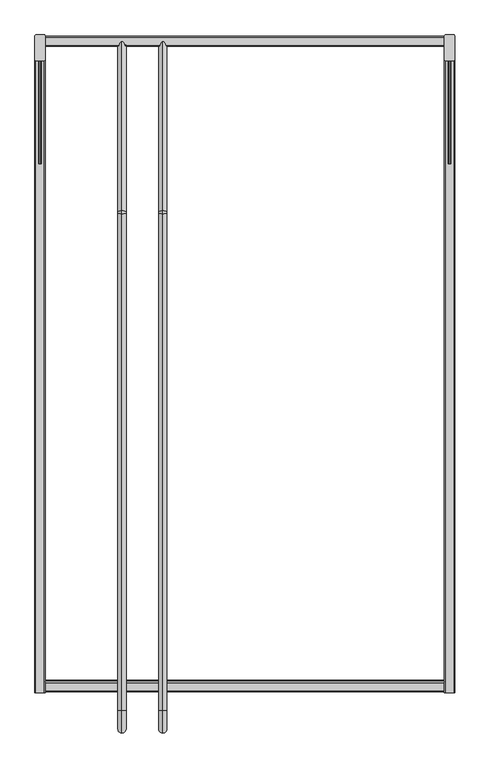
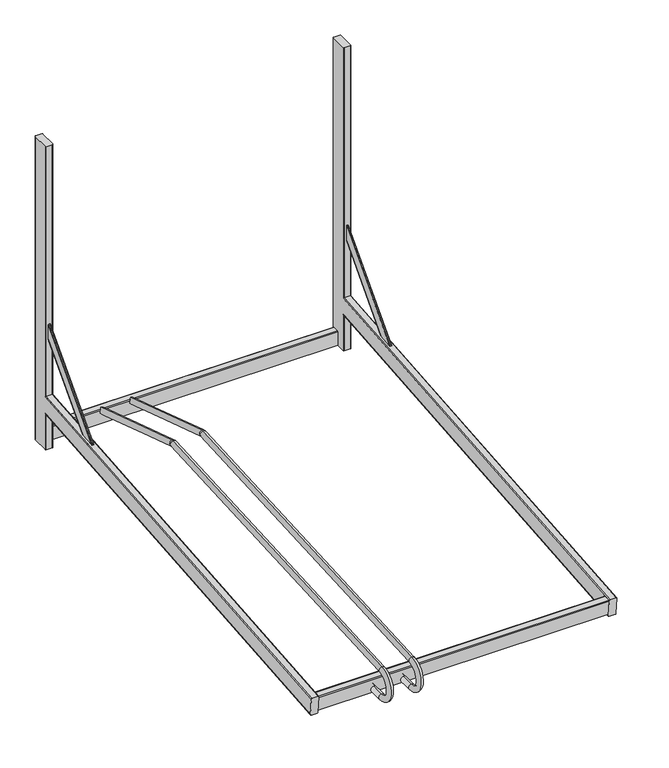
"""IFC4 building model written with IfcOpenShell, lengths in millimetres: proxy geometry."""

from ifc_helpers import new_model, si_unit, point, frame, frame_2d, origin, place, context, project, spatial, polyline, circle_curve, ellipse_curve, trimmed, segment, composite_curve, outline, extrude, source, transform, mapped, element, save
from ifc_brep_helpers import plane_surface, cylinder_surface, revolved_surface, advanced_brep


def parking_b0b00ea9(model_context):
    return source(origin(), model_context, "Body", "SolidModel", [
        advanced_brep(
        [(-440.0, 575.1849932, 39.3147549), (-440.0, 570.2232092, 24.0439537), (-440.0, 244.335793, 146.8141765), (-440.0, 239.3740089, 131.5433753), (-440.0, 238.1994719, 131.6969984), (-440.0, 237.3320857, 147.7302237), (-440.0, -732.0365326, 95.2880586), (-440.0, -731.1691463, 79.2548333), (-440.0, -678.7366907, 0.6872981), (-440.0, -678.7366907, 16.7439687), (-440.0, -729.4794847, 16.7439687), (-440.0, -729.4794847, 0.6872981)],
        [
            (0, 1, circle_curve(frame((-440.0, 572.7041012, 31.6793543), z_axis=(0.0, 0.9510565162951528, -0.3090169943749501), x_axis=(0.0, -0.3090169943749501, -0.9510565162951528)), 8.0283353)),
            (1, 0, circle_curve(frame((-440.0, 572.7041012, 31.6793543), z_axis=(0.0, 0.9510565162951528, -0.3090169943749501), x_axis=(0.0, -0.3090169943749501, -0.9510565162951528)), 8.0283353)),
            (0, 2),
            (2, 3, circle_curve(frame((-440.0, 241.854901, 139.1787759), z_axis=(0.0, 0.9510565162951528, -0.3090169943749501), x_axis=(0.0, -0.3090169943749501, -0.9510565162951528)), 8.0283353)),
            (3, 1),
            (3, 2, circle_curve(frame((-440.0, 241.854901, 139.1787759), z_axis=(0.0, 0.9510565162951528, -0.3090169943749501), x_axis=(0.0, -0.3090169943749501, -0.9510565162951528)), 8.0283353)),
            (4, 5, circle_curve(frame((-440.0, 237.7657788, 139.7136111), z_axis=(0.0, -0.9985398371404031, -0.054020307696434455), x_axis=(0.0, 0.054020307696434455, -0.9985398371404031)), 8.0283353)),
            (5, 6),
            (6, 7, circle_curve(frame((-440.0, -731.6028395, 87.2714459), z_axis=(0.0, 0.9985398371404031, 0.054020307696434455), x_axis=(0.0, 0.054020307696434455, -0.9985398371404031)), 8.0283353)),
            (7, 4),
            (5, 4, circle_curve(frame((-440.0, 237.7657788, 139.7136111), z_axis=(0.0, -0.9985398371404031, -0.054020307696434455), x_axis=(0.0, 0.054020307696434455, -0.9985398371404031)), 8.0283353)),
            (7, 6, circle_curve(frame((-440.0, -731.6028395, 87.2714459), z_axis=(0.0, 0.9985398371404031, 0.054020307696434455), x_axis=(0.0, 0.054020307696434455, -0.9985398371404031)), 8.0283353)),
            (8, 9, circle_curve(frame((-440.0, -678.7366907, 8.7156334), z_axis=(0.0, 1.0, 0.0), x_axis=(0.0, 0.0, 1.0)), 8.0283353)),
            (9, 8, circle_curve(frame((-440.0, -678.7366907, 8.7156334), z_axis=(0.0, 1.0, 0.0), x_axis=(0.0, 0.0, 1.0)), 8.0283353)),
            (10, 11, circle_curve(frame((-440.0, -729.4794847, 8.7156334), z_axis=(0.0, 1.0, 0.0), x_axis=(0.0, 0.0, 1.0)), 8.0283353)),
            (11, 8),
            (9, 10),
            (11, 10, circle_curve(frame((-440.0, -729.4794847, 8.7156334), z_axis=(0.0, 1.0, 0.0), x_axis=(0.0, 0.0, 1.0)), 8.0283353)),
            (10, 7, circle_curve(frame((-440.0, -729.4794847, 48.0222367), z_axis=(-1.0, 0.0, 0.0), x_axis=(0.0, -0.054020307696434074, 0.9985398371404031)), 31.278268)),
            (6, 11, circle_curve(frame((-440.0, -729.4794847, 48.0222367), z_axis=(1.0, 0.0, 0.0), x_axis=(0.0, -0.054020307696434074, 0.9985398371404031)), 47.3349386)),
            (4, 3, circle_curve(frame((-440.0, 238.3742442, 128.4664159), z_axis=(-1.0, 0.0, 0.0), x_axis=(0.0, 0.3090169943749422, 0.9510565162951553)), 3.2353066)),
            (2, 5, circle_curve(frame((-440.0, 238.3742442, 128.4664159), z_axis=(1.0, 0.0, 0.0), x_axis=(0.0, 0.3090169943749422, 0.9510565162951553)), 19.2919772)),
        ],
        [
            plane_surface(frame((0.0, 572.7041012, 31.6793543), z_axis=(0.0, 0.9510565162951528, -0.30901699437495006), x_axis=(1.0, 0.0, 0.0))),
            cylinder_surface(frame((-440.0, 572.7041012, 31.6793543), z_axis=(0.0, 0.9510565162951528, -0.3090169943749501), x_axis=(0.0, -0.3090169943749501, -0.9510565162951528)), 8.0283353),
            cylinder_surface(frame((-440.0, 237.7657788, 139.7136111), z_axis=(0.0, 0.9985398371404031, 0.054020307696434455), x_axis=(0.0, 0.054020307696434455, -0.9985398371404031)), 8.0283353),
            plane_surface(frame((0.0, -678.7366907, 8.7156334), z_axis=(0.0, 1.0, 0.0), x_axis=(1.0, 0.0, 0.0))),
            cylinder_surface(frame((-440.0, -729.4794847, 8.7156334), z_axis=(0.0, -1.0, 0.0), x_axis=(0.0, 0.0, 1.0)), 8.0283353),
            revolved_surface(trimmed(ellipse_curve(frame((-440.0, -731.6028395, 87.2714459), z_axis=(0.0, 0.9985398371404031, 0.05402030769643412), x_axis=(0.0, 0.05402030769643412, -0.9985398371404031)), 8.0283353, 8.0283353), [point((-440.0, -732.0365326, 95.2880586))], [point((-440.0, -731.1691463, 79.2548333))], True, "CARTESIAN"), (0.0, -729.4794847, 48.0222367), (1.0, 0.0, 0.0)),
            revolved_surface(trimmed(ellipse_curve(frame((-440.0, -731.6028395, 87.2714459), z_axis=(0.0, 0.9985398371404031, 0.05402030769643412), x_axis=(0.0, 0.05402030769643412, -0.9985398371404031)), 8.0283353, 8.0283353), [point((-440.0, -731.1691463, 79.2548333))], [point((-440.0, -732.0365326, 95.2880586))], True, "CARTESIAN"), (0.0, -729.4794847, 48.0222367), (1.0, 0.0, 0.0)),
            revolved_surface(trimmed(ellipse_curve(frame((-440.0, 241.854901, 139.1787759), z_axis=(0.0, 0.9510565162951553, -0.3090169943749421), x_axis=(0.0, -0.3090169943749421, -0.9510565162951553)), 8.0283353, 8.0283353), [point((-440.0, 244.335793, 146.8141765))], [point((-440.0, 239.3740089, 131.5433753))], True, "CARTESIAN"), (0.0, 238.3742442, 128.4664159), (1.0, 0.0, 0.0)),
            revolved_surface(trimmed(ellipse_curve(frame((-440.0, 241.854901, 139.1787759), z_axis=(0.0, 0.9510565162951553, -0.3090169943749421), x_axis=(0.0, -0.3090169943749421, -0.9510565162951553)), 8.0283353, 8.0283353), [point((-440.0, 239.3740089, 131.5433753))], [point((-440.0, 244.335793, 146.8141765))], True, "CARTESIAN"), (0.0, 238.3742442, 128.4664159), (1.0, 0.0, 0.0)),
        ],
        [
            (0, [[1, 2]]),
            (1, [[-1, 3, 4, 5]]),
            (1, [[-2, -5, 6, -3]]),
            (2, [[7, 8, 9, 10]]),
            (2, [[11, -10, 12, -8]]),
            (3, [[13, 14]]),
            (4, [[15, 16, -14, 17]]),
            (4, [[18, -17, -13, -16]]),
            (5, [[19, -9, 20, -15]]),
            (6, [[-20, -12, -19, -18]]),
            (7, [[21, -4, 22, -7]]),
            (8, [[-22, -6, -21, -11]]),
        ],
    ),
        advanced_brep(
        [(-360.0, 575.1849932, 39.3147549), (-360.0, 570.2232092, 24.0439537), (-360.0, 244.335793, 146.8141765), (-360.0, 239.3740089, 131.5433753), (-360.0, 238.1994719, 131.6969984), (-360.0, 237.3320857, 147.7302237), (-360.0, -732.0365326, 95.2880586), (-360.0, -731.1691463, 79.2548333), (-360.0, -678.7366907, 0.6872981), (-360.0, -678.7366907, 16.7439687), (-360.0, -729.4794847, 16.7439687), (-360.0, -729.4794847, 0.6872981)],
        [
            (0, 1, circle_curve(frame((-360.0, 572.7041012, 31.6793543), z_axis=(0.0, 0.9510565162951528, -0.3090169943749501), x_axis=(0.0, -0.3090169943749501, -0.9510565162951528)), 8.0283353)),
            (1, 0, circle_curve(frame((-360.0, 572.7041012, 31.6793543), z_axis=(0.0, 0.9510565162951528, -0.3090169943749501), x_axis=(0.0, -0.3090169943749501, -0.9510565162951528)), 8.0283353)),
            (0, 2),
            (2, 3, circle_curve(frame((-360.0, 241.854901, 139.1787759), z_axis=(0.0, 0.9510565162951528, -0.3090169943749501), x_axis=(0.0, -0.3090169943749501, -0.9510565162951528)), 8.0283353)),
            (3, 1),
            (3, 2, circle_curve(frame((-360.0, 241.854901, 139.1787759), z_axis=(0.0, 0.9510565162951528, -0.3090169943749501), x_axis=(0.0, -0.3090169943749501, -0.9510565162951528)), 8.0283353)),
            (4, 5, circle_curve(frame((-360.0, 237.7657788, 139.7136111), z_axis=(0.0, -0.9985398371404031, -0.054020307696434455), x_axis=(0.0, 0.054020307696434455, -0.9985398371404031)), 8.0283353)),
            (5, 6),
            (6, 7, circle_curve(frame((-360.0, -731.6028395, 87.2714459), z_axis=(0.0, 0.9985398371404031, 0.054020307696434455), x_axis=(0.0, 0.054020307696434455, -0.9985398371404031)), 8.0283353)),
            (7, 4),
            (5, 4, circle_curve(frame((-360.0, 237.7657788, 139.7136111), z_axis=(0.0, -0.9985398371404031, -0.054020307696434455), x_axis=(0.0, 0.054020307696434455, -0.9985398371404031)), 8.0283353)),
            (7, 6, circle_curve(frame((-360.0, -731.6028395, 87.2714459), z_axis=(0.0, 0.9985398371404031, 0.054020307696434455), x_axis=(0.0, 0.054020307696434455, -0.9985398371404031)), 8.0283353)),
            (8, 9, circle_curve(frame((-360.0, -678.7366907, 8.7156334), z_axis=(0.0, 1.0, 0.0), x_axis=(0.0, 0.0, 1.0)), 8.0283353)),
            (9, 8, circle_curve(frame((-360.0, -678.7366907, 8.7156334), z_axis=(0.0, 1.0, 0.0), x_axis=(0.0, 0.0, 1.0)), 8.0283353)),
            (10, 11, circle_curve(frame((-360.0, -729.4794847, 8.7156334), z_axis=(0.0, 1.0, 0.0), x_axis=(0.0, 0.0, 1.0)), 8.0283353)),
            (11, 8),
            (9, 10),
            (11, 10, circle_curve(frame((-360.0, -729.4794847, 8.7156334), z_axis=(0.0, 1.0, 0.0), x_axis=(0.0, 0.0, 1.0)), 8.0283353)),
            (10, 7, circle_curve(frame((-360.0, -729.4794847, 48.0222367), z_axis=(-1.0, 0.0, 0.0), x_axis=(0.0, -0.054020307696434074, 0.9985398371404031)), 31.278268)),
            (6, 11, circle_curve(frame((-360.0, -729.4794847, 48.0222367), z_axis=(1.0, 0.0, 0.0), x_axis=(0.0, -0.054020307696434074, 0.9985398371404031)), 47.3349386)),
            (4, 3, circle_curve(frame((-360.0, 238.3742442, 128.4664159), z_axis=(-1.0, 0.0, 0.0), x_axis=(0.0, 0.3090169943749422, 0.9510565162951553)), 3.2353066)),
            (2, 5, circle_curve(frame((-360.0, 238.3742442, 128.4664159), z_axis=(1.0, 0.0, 0.0), x_axis=(0.0, 0.3090169943749422, 0.9510565162951553)), 19.2919772)),
        ],
        [
            plane_surface(frame((80.0, 572.7041012, 31.6793543), z_axis=(0.0, 0.9510565162951528, -0.30901699437495006), x_axis=(1.0, 0.0, 0.0))),
            cylinder_surface(frame((-360.0, 572.7041012, 31.6793543), z_axis=(0.0, 0.9510565162951528, -0.3090169943749501), x_axis=(0.0, -0.3090169943749501, -0.9510565162951528)), 8.0283353),
            cylinder_surface(frame((-360.0, 237.7657788, 139.7136111), z_axis=(0.0, 0.9985398371404031, 0.054020307696434455), x_axis=(0.0, 0.054020307696434455, -0.9985398371404031)), 8.0283353),
            plane_surface(frame((80.0, -678.7366907, 8.7156334), z_axis=(0.0, 1.0, 0.0), x_axis=(1.0, 0.0, 0.0))),
            cylinder_surface(frame((-360.0, -729.4794847, 8.7156334), z_axis=(0.0, -1.0, 0.0), x_axis=(0.0, 0.0, 1.0)), 8.0283353),
            revolved_surface(trimmed(ellipse_curve(frame((-360.0, -731.6028395, 87.2714459), z_axis=(0.0, 0.9985398371404031, 0.05402030769643412), x_axis=(0.0, 0.05402030769643412, -0.9985398371404031)), 8.0283353, 8.0283353), [point((-360.0, -732.0365326, 95.2880586))], [point((-360.0, -731.1691463, 79.2548333))], True, "CARTESIAN"), (80.0, -729.4794847, 48.0222367), (1.0, 0.0, 0.0)),
            revolved_surface(trimmed(ellipse_curve(frame((-360.0, -731.6028395, 87.2714459), z_axis=(0.0, 0.9985398371404031, 0.05402030769643412), x_axis=(0.0, 0.05402030769643412, -0.9985398371404031)), 8.0283353, 8.0283353), [point((-360.0, -731.1691463, 79.2548333))], [point((-360.0, -732.0365326, 95.2880586))], True, "CARTESIAN"), (80.0, -729.4794847, 48.0222367), (1.0, 0.0, 0.0)),
            revolved_surface(trimmed(ellipse_curve(frame((-360.0, 241.854901, 139.1787759), z_axis=(0.0, 0.9510565162951553, -0.3090169943749421), x_axis=(0.0, -0.3090169943749421, -0.9510565162951553)), 8.0283353, 8.0283353), [point((-360.0, 244.335793, 146.8141765))], [point((-360.0, 239.3740089, 131.5433753))], True, "CARTESIAN"), (80.0, 238.3742442, 128.4664159), (1.0, 0.0, 0.0)),
            revolved_surface(trimmed(ellipse_curve(frame((-360.0, 241.854901, 139.1787759), z_axis=(0.0, 0.9510565162951553, -0.3090169943749421), x_axis=(0.0, -0.3090169943749421, -0.9510565162951553)), 8.0283353, 8.0283353), [point((-360.0, 239.3740089, 131.5433753))], [point((-360.0, 244.335793, 146.8141765))], True, "CARTESIAN"), (80.0, 238.3742442, 128.4664159), (1.0, 0.0, 0.0)),
        ],
        [
            (0, [[1, 2]]),
            (1, [[-1, 3, 4, 5]]),
            (1, [[-2, -5, 6, -3]]),
            (2, [[7, 8, 9, 10]]),
            (2, [[11, -10, 12, -8]]),
            (3, [[13, 14]]),
            (4, [[15, 16, -14, 17]]),
            (4, [[18, -17, -13, -16]]),
            (5, [[19, -9, 20, -15]]),
            (6, [[-20, -12, -19, -18]]),
            (7, [[21, -4, 22, -7]]),
            (8, [[-22, -6, -21, -11]]),
        ],
    ),
        extrude(outline(composite_curve([segment(polyline([(585.0629187, 0.0), (565.0629187, 0.0), (565.0629187, 38.0)]), True, "CONTINUOUS"), segment(trimmed(circle_curve(frame_2d((567.0629187, 38.0)), 2.0), [point((565.0629187, 38.0))], [point((567.0629187, 40.0))], False, "CARTESIAN"), True, "CONTINUOUS"), segment(polyline([(567.0629187, 40.0), (583.0629187, 40.0)]), True, "CONTINUOUS"), segment(trimmed(circle_curve(frame_2d((583.0629187, 38.0)), 2.0), [point((583.0629187, 40.0))], [point((585.0629187, 38.0))], False, "CARTESIAN"), True, "CONTINUOUS"), segment(polyline([(585.0629187, 38.0), (585.0629187, 0.0)]), True, "CONTINUOUS")], self_intersect=False)), frame((-590.0, 0.0, 0.0), z_axis=(1.0, 0.0, 0.0), x_axis=(0.0, 1.0, 0.0)), (0.0, 0.0, 1.0), 779.9806588),
        extrude(outline(composite_curve([segment(polyline([(-673.2034861, 1.3951295), (-693.1547671, 0.0), (-695.8055131, 37.9074339)]), True, "CONTINUOUS"), segment(trimmed(circle_curve(frame_2d((-693.810385, 38.0469469)), 2.0), [point((-695.8055131, 37.9074339))], [point((-693.949898, 40.042075))], False, "CARTESIAN"), True, "CONTINUOUS"), segment(polyline([(-693.949898, 40.042075), (-677.9888732, 41.1581785)]), True, "CONTINUOUS"), segment(trimmed(circle_curve(frame_2d((-677.8493602, 39.1630504)), 2.0), [point((-677.9888732, 41.1581785))], [point((-675.8542321, 39.3025634))], False, "CARTESIAN"), True, "CONTINUOUS"), segment(polyline([(-675.8542321, 39.3025634), (-673.2034861, 1.3951295)]), True, "CONTINUOUS")], self_intersect=False)), frame((-590.0, 0.0, 0.0), z_axis=(1.0, 0.0, 0.0), x_axis=(0.0, 1.0, 0.0)), (0.0, 0.0, 1.0), 779.9806588),
        advanced_brep(
        [(209.9806588, -693.5430267, -4.9673613), (209.9806588, -697.5521909, 40.8575948), (207.9806588, -697.7265024, 42.8499842), (191.9806588, -697.7265024, 42.8499842), (189.9806588, -697.5521909, 40.8575948), (189.9806588, -693.5430267, -4.9673613), (191.9806588, -693.3687152, -6.9597507), (207.9806588, -693.3687152, -6.9597507), (207.9806588, 537.083027, 100.6908277), (209.9806588, 539.083027, 102.8734447), (191.9806588, 537.083027, 100.6908277), (189.9806588, 539.083027, 102.8734447), (189.9806588, 539.083027, 149.0491573), (189.9806588, 539.083027, 860.0), (189.9806588, 585.083027, 860.0), (189.9806588, 585.083027, 0.0), (189.9806588, 539.083027, 0.0), (191.9806588, 537.083027, 150.8818196), (207.9806588, 537.083027, 150.8818196), (201.4806588, 379.3420738, 137.0812744), (202.4806588, 377.8675191, 136.9522676), (202.4806588, 336.5799882, 133.3400767), (201.4806588, 335.1054336, 133.2110699), (198.4806588, 335.1054336, 133.2110699), (197.4806588, 336.5799882, 133.3400767), (197.4806588, 377.8675191, 136.9522676), (198.4806588, 379.3420738, 137.0812744), (209.9806588, 539.083027, 149.0491573), (209.9806588, 539.083027, 0.0), (209.9806588, 585.083027, 0.0), (209.9806588, 585.083027, 860.0), (209.9806588, 539.083027, 860.0), (201.4806588, 537.083027, 309.2253177), (202.4806588, 537.083027, 310.7055049), (198.4806588, 537.083027, 309.2253177), (197.4806588, 537.083027, 310.7055049), (197.4806588, 537.083027, 352.1507474), (198.4806588, 537.083027, 353.6309347), (201.4806588, 537.083027, 353.6309347), (202.4806588, 537.083027, 352.1507474), (207.9806588, 537.083027, 0.0), (191.9806588, 537.083027, 0.0), (191.9806588, 587.083027, 0.0), (207.9806588, 587.083027, 0.0), (207.9806588, 587.083027, 860.0), (191.9806588, 587.083027, 860.0), (191.9806588, 537.083027, 860.0), (207.9806588, 537.083027, 860.0)],
        [
            (0, 1),
            (1, 2, circle_curve(frame((207.9806588, -697.5521909, 40.8575948), z_axis=(0.0, -0.9961946980917458, -0.08715574274765542), x_axis=(-1.0, 0.0, 0.0)), 2.0)),
            (2, 3),
            (3, 4, circle_curve(frame((191.9806588, -697.5521909, 40.8575948), z_axis=(0.0, -0.9961946980917458, -0.08715574274765542), x_axis=(-1.0, 0.0, 0.0)), 2.0)),
            (4, 5),
            (5, 6, circle_curve(frame((191.9806588, -693.5430267, -4.9673613), z_axis=(0.0, -0.9961946980917458, -0.08715574274765542), x_axis=(-1.0, 0.0, 0.0)), 2.0)),
            (6, 7),
            (7, 0, circle_curve(frame((207.9806588, -693.5430267, -4.9673613), z_axis=(0.0, -0.9961946980917458, -0.08715574274765542), x_axis=(-1.0, 0.0, 0.0)), 2.0)),
            (7, 8),
            (8, 9, ellipse_curve(frame((207.9806588, 539.083027, 102.8734447), z_axis=(0.0, -0.7372773368101226, 0.6755902076156619), x_axis=(0.0, -0.6755902076156618, -0.7372773368101226)), 2.9603745, 2.0)),
            (9, 0),
            (6, 10),
            (10, 8),
            (5, 11),
            (11, 10, ellipse_curve(frame((191.9806588, 539.083027, 102.8734447), z_axis=(0.0, -0.7372773368101226, 0.6755902076156619), x_axis=(0.0, -0.6755902076156618, -0.7372773368101226)), 2.9603745, 2.0)),
            (4, 12),
            (12, 13),
            (13, 14),
            (14, 15),
            (15, 16),
            (16, 11),
            (3, 17),
            (17, 12, ellipse_curve(frame((191.9806588, 539.083027, 149.0491573), z_axis=(0.0, -0.6755902076156618, -0.7372773368101225), x_axis=(0.0, -0.7372773368101226, 0.6755902076156618)), 2.7126834, 2.0)),
            (2, 18),
            (18, 17),
            (19, 20, ellipse_curve(frame((201.4806588, 377.8675191, 136.9522676), z_axis=(0.0, 0.08715574274765543, -0.9961946980917458), x_axis=(0.0, -0.9961946980917457, -0.08715574274765536)), 1.4801872, 1.0)),
            (20, 21),
            (21, 22, ellipse_curve(frame((201.4806588, 336.5799882, 133.3400767), z_axis=(0.0, 0.08715574274765543, -0.9961946980917458), x_axis=(0.0, -0.9961946980917457, -0.08715574274765536)), 1.4801872, 1.0)),
            (22, 23),
            (23, 24, ellipse_curve(frame((198.4806588, 336.5799882, 133.3400767), z_axis=(0.0, 0.08715574274765543, -0.9961946980917458), x_axis=(0.0, -0.9961946980917457, -0.08715574274765536)), 1.4801872, 1.0)),
            (24, 25),
            (25, 26, ellipse_curve(frame((198.4806588, 377.8675191, 136.9522676), z_axis=(0.0, 0.08715574274765543, -0.9961946980917458), x_axis=(0.0, -0.9961946980917457, -0.08715574274765536)), 1.4801872, 1.0)),
            (26, 19),
            (1, 27),
            (27, 18, ellipse_curve(frame((207.9806588, 539.083027, 149.0491573), z_axis=(0.0, -0.6755902076156618, -0.7372773368101225), x_axis=(0.0, -0.7372773368101226, 0.6755902076156618)), 2.7126834, 2.0)),
            (9, 28),
            (28, 29),
            (29, 30),
            (30, 31),
            (31, 27),
            (19, 32),
            (32, 33, ellipse_curve(frame((201.4806588, 537.083027, 310.7055049), z_axis=(0.0, -1.0, 0.0), x_axis=(0.0, 0.0, -1.0)), 1.4801872, 1.0)),
            (33, 20),
            (26, 34),
            (34, 32),
            (25, 35),
            (35, 34, ellipse_curve(frame((198.4806588, 537.083027, 310.7055049), z_axis=(0.0, -1.0, 0.0), x_axis=(0.0, 0.0, -1.0)), 1.4801872, 1.0)),
            (24, 36),
            (36, 35),
            (23, 37),
            (37, 36, ellipse_curve(frame((198.4806588, 537.083027, 352.1507474), z_axis=(0.0, -1.0, 0.0), x_axis=(0.0, 0.0, -1.0)), 1.4801872, 1.0)),
            (22, 38),
            (38, 37),
            (21, 39),
            (39, 38, ellipse_curve(frame((201.4806588, 537.083027, 352.1507474), z_axis=(0.0, -1.0, 0.0), x_axis=(0.0, 0.0, -1.0)), 1.4801872, 1.0)),
            (33, 39),
            (28, 40, circle_curve(frame((207.9806588, 539.083027, 0.0), z_axis=(0.0, 0.0, -1.0), x_axis=(0.0, 1.0, 0.0)), 2.0)),
            (40, 41),
            (41, 16, circle_curve(frame((191.9806588, 539.083027, 0.0), z_axis=(0.0, 0.0, -1.0), x_axis=(0.0, 1.0, 0.0)), 2.0)),
            (15, 42, circle_curve(frame((191.9806588, 585.083027, 0.0), z_axis=(0.0, 0.0, -1.0), x_axis=(0.0, 1.0, 0.0)), 2.0)),
            (42, 43),
            (43, 29, circle_curve(frame((207.9806588, 585.083027, 0.0), z_axis=(0.0, 0.0, -1.0), x_axis=(0.0, 1.0, 0.0)), 2.0)),
            (30, 44, circle_curve(frame((207.9806588, 585.083027, 860.0), z_axis=(0.0, 0.0, 1.0), x_axis=(0.0, 1.0, 0.0)), 2.0)),
            (44, 45),
            (45, 14, circle_curve(frame((191.9806588, 585.083027, 860.0), z_axis=(0.0, 0.0, 1.0), x_axis=(0.0, 1.0, 0.0)), 2.0)),
            (13, 46, circle_curve(frame((191.9806588, 539.083027, 860.0), z_axis=(0.0, 0.0, 1.0), x_axis=(0.0, 1.0, 0.0)), 2.0)),
            (46, 47),
            (47, 31, circle_curve(frame((207.9806588, 539.083027, 860.0), z_axis=(0.0, 0.0, 1.0), x_axis=(0.0, 1.0, 0.0)), 2.0)),
            (43, 44),
            (42, 45),
            (41, 10),
            (17, 46),
            (40, 8),
            (18, 47),
        ],
        [
            plane_surface(frame((209.9806588, -693.5827297, -4.5135541), z_axis=(0.0, -0.9961946980917458, -0.08715574274765542), x_axis=(0.0, -0.08715574274765542, 0.9961946980917458))),
            cylinder_surface(frame((207.9806588, 550.8952919, 103.906884), z_axis=(0.0, -0.9961946980917458, -0.08715574274765542), x_axis=(-1.0, 0.0, 0.0)), 2.0),
            plane_surface(frame((191.9806588, -693.3687152, -6.9597507), z_axis=(0.0, 0.08715574274765542, -0.9961946980917458), x_axis=(0.0, 0.9961946980917458, 0.08715574274765542))),
            cylinder_surface(frame((191.9806588, 550.8952919, 103.906884), z_axis=(0.0, -0.9961946980917458, -0.08715574274765542), x_axis=(-1.0, 0.0, 0.0)), 2.0),
            plane_surface(frame((189.9806588, -697.5521909, 40.8575948), z_axis=(-1.0, 0.0, 0.0), x_axis=(0.0, 0.9961946980917458, 0.08715574274765542))),
            cylinder_surface(frame((191.9806588, 546.8861277, 149.7318401), z_axis=(0.0, -0.9961946980917458, -0.08715574274765542), x_axis=(-1.0, 0.0, 0.0)), 2.0),
            plane_surface(frame((207.9806588, -697.7265024, 42.8499842), z_axis=(0.0, -0.08715574274765543, 0.9961946980917458), x_axis=(0.0, 0.9961946980917458, 0.08715574274765543))),
            cylinder_surface(frame((207.9806588, 546.8861277, 149.7318401), z_axis=(0.0, -0.9961946980917458, -0.08715574274765542), x_axis=(-1.0, 0.0, 0.0)), 2.0),
            plane_surface(frame((209.9806588, -693.5430267, -4.9673613), z_axis=(1.0, 0.0, 0.0), x_axis=(0.0, 0.9961946980917458, 0.08715574274765542))),
            cylinder_surface(frame((201.4806588, 563.116161, 339.1156854), z_axis=(0.0, -0.6755902076156626, -0.737277336810122), x_axis=(-1.0, 0.0, 0.0)), 1.0),
            plane_surface(frame((198.4806588, 354.1502379, 109.5892098), z_axis=(0.0, 0.737277336810122, -0.6755902076156625), x_axis=(0.0, 0.6755902076156625, 0.737277336810122))),
            cylinder_surface(frame((198.4806588, 563.116161, 339.1156854), z_axis=(0.0, -0.6755902076156626, -0.737277336810122), x_axis=(-1.0, 0.0, 0.0)), 1.0),
            plane_surface(frame((197.4806588, 332.7691952, 129.1813259), z_axis=(-1.0, 0.0, 0.0), x_axis=(0.0, 0.6755902076156624, 0.7372773368101221))),
            cylinder_surface(frame((198.4806588, 542.4723956, 358.0322112), z_axis=(0.0, -0.6755902076156626, -0.737277336810122), x_axis=(-1.0, 0.0, 0.0)), 1.0),
            plane_surface(frame((201.4806588, 332.0319178, 129.8569161), z_axis=(0.0, -0.737277336810122, 0.6755902076156625), x_axis=(0.0, 0.6755902076156625, 0.737277336810122))),
            cylinder_surface(frame((201.4806588, 542.4723956, 358.0322112), z_axis=(0.0, -0.6755902076156626, -0.737277336810122), x_axis=(-1.0, 0.0, 0.0)), 1.0),
            plane_surface(frame((202.4806588, 353.4129606, 110.2648), z_axis=(1.0, 0.0, 0.0), x_axis=(0.0, 0.6755902076156625, 0.737277336810122))),
            plane_surface(frame((-400.0193412, 537.083027, 0.0), z_axis=(0.0, 0.0, -1.0), x_axis=(-1.0, 0.0, 0.0))),
            plane_surface(frame((-400.0193412, 537.083027, 860.0), z_axis=(0.0, 0.0, 1.0), x_axis=(-1.0, 0.0, 0.0))),
            cylinder_surface(frame((207.9806588, 585.083027, 0.0), z_axis=(0.0, 0.0, -1.0), x_axis=(0.0, 1.0, 0.0)), 2.0),
            plane_surface(frame((191.9806588, 587.083027, 0.0), z_axis=(0.0, 1.0, 0.0), x_axis=(0.0, 0.0, 1.0))),
            cylinder_surface(frame((191.9806588, 585.083027, 0.0), z_axis=(0.0, 0.0, -1.0), x_axis=(0.0, 1.0, 0.0)), 2.0),
            cylinder_surface(frame((191.9806588, 539.083027, 0.0), z_axis=(0.0, 0.0, -1.0), x_axis=(0.0, 1.0, 0.0)), 2.0),
            plane_surface(frame((207.9806588, 537.083027, 0.0), z_axis=(0.0, -1.0, 0.0), x_axis=(0.0, 0.0, 1.0))),
            cylinder_surface(frame((207.9806588, 539.083027, 0.0), z_axis=(0.0, 0.0, -1.0), x_axis=(0.0, 1.0, 0.0)), 2.0),
        ],
        [
            (0, [[1, 2, 3, 4, 5, 6, 7, 8]]),
            (1, [[-8, 9, 10, 11]]),
            (2, [[-7, 12, 13, -9]]),
            (3, [[-6, 14, 15, -12]]),
            (4, [[-5, 16, 17, 18, 19, 20, 21, -14]]),
            (5, [[-4, 22, 23, -16]]),
            (6, [[-3, 24, 25, -22], [26, 27, 28, 29, 30, 31, 32, 33]]),
            (7, [[-2, 34, 35, -24]]),
            (8, [[-1, -11, 36, 37, 38, 39, 40, -34]]),
            (9, [[-26, 41, 42, 43]]),
            (10, [[-33, 44, 45, -41]]),
            (11, [[-32, 46, 47, -44]]),
            (12, [[-31, 48, 49, -46]]),
            (13, [[-30, 50, 51, -48]]),
            (14, [[-29, 52, 53, -50]]),
            (15, [[-28, 54, 55, -52]]),
            (16, [[-27, -43, 56, -54]]),
            (17, [[57, 58, 59, -20, 60, 61, 62, -37]]),
            (18, [[-39, 63, 64, 65, -18, 66, 67, 68]]),
            (19, [[-62, 69, -63, -38]]),
            (20, [[-61, 70, -64, -69]]),
            (21, [[-60, -19, -65, -70]]),
            (22, [[-59, 71, -15, -21]]),
            (22, [[-66, -17, -23, 72]]),
            (23, [[-58, 73, -13, -71]]),
            (23, [[-67, -72, -25, 74], [-42, -45, -47, -49, -51, -53, -55, -56]]),
            (24, [[-57, -36, -10, -73]]),
            (24, [[-68, -74, -35, -40]]),
        ],
    ),
        advanced_brep(
        [(-610.0, -693.5430267, -4.9673613), (-608.0, -693.3687152, -6.9597507), (-592.0, -693.3687152, -6.9597507), (-590.0, -693.5430267, -4.9673613), (-590.0, -697.5521909, 40.8575948), (-592.0, -697.7265024, 42.8499842), (-608.0, -697.7265024, 42.8499842), (-610.0, -697.5521909, 40.8575948), (-610.0, 539.083027, 102.8734447), (-608.0, 537.083027, 100.6908277), (-592.0, 537.083027, 100.6908277), (-590.0, 539.083027, 102.8734447), (-590.0, 539.083027, 0.0), (-590.0, 585.083027, 0.0), (-590.0, 585.083027, 860.0), (-590.0, 539.083027, 860.0), (-590.0, 539.083027, 149.0491573), (-592.0, 537.083027, 150.8818196), (-608.0, 537.083027, 150.8818196), (-602.5, 377.8675191, 136.9522676), (-601.5, 379.3420738, 137.0812744), (-598.5, 379.3420738, 137.0812744), (-597.5, 377.8675191, 136.9522676), (-597.5, 336.5799882, 133.3400767), (-598.5, 335.1054336, 133.2110699), (-601.5, 335.1054336, 133.2110699), (-602.5, 336.5799882, 133.3400767), (-610.0, 539.083027, 149.0491573), (-610.0, 539.083027, 860.0), (-610.0, 585.083027, 860.0), (-610.0, 585.083027, 0.0), (-610.0, 539.083027, 0.0), (-608.0, 587.083027, 0.0), (-592.0, 587.083027, 0.0), (-592.0, 537.083027, 0.0), (-608.0, 537.083027, 0.0), (-608.0, 537.083027, 860.0), (-592.0, 537.083027, 860.0), (-592.0, 587.083027, 860.0), (-608.0, 587.083027, 860.0), (-601.5, 537.083027, 309.2253177), (-602.5, 537.083027, 310.7055049), (-602.5, 537.083027, 352.1507474), (-601.5, 537.083027, 353.6309347), (-598.5, 537.083027, 353.6309347), (-597.5, 537.083027, 352.1507474), (-597.5, 537.083027, 310.7055049), (-598.5, 537.083027, 309.2253177)],
        [
            (0, 1, circle_curve(frame((-608.0, -693.5430267, -4.9673613), z_axis=(0.0, -0.9961946980917458, -0.08715574274765542), x_axis=(1.0, 0.0, 0.0)), 2.0)),
            (1, 2),
            (2, 3, circle_curve(frame((-592.0, -693.5430267, -4.9673613), z_axis=(0.0, -0.9961946980917458, -0.08715574274765542), x_axis=(1.0, 0.0, 0.0)), 2.0)),
            (3, 4),
            (4, 5, circle_curve(frame((-592.0, -697.5521909, 40.8575948), z_axis=(0.0, -0.9961946980917458, -0.08715574274765542), x_axis=(1.0, 0.0, 0.0)), 2.0)),
            (5, 6),
            (6, 7, circle_curve(frame((-608.0, -697.5521909, 40.8575948), z_axis=(0.0, -0.9961946980917458, -0.08715574274765542), x_axis=(1.0, 0.0, 0.0)), 2.0)),
            (7, 0),
            (0, 8),
            (8, 9, ellipse_curve(frame((-608.0, 539.083027, 102.8734447), z_axis=(0.0, -0.7372773368101226, 0.6755902076156619), x_axis=(0.0, -0.6755902076156618, -0.7372773368101226)), 2.9603745, 2.0)),
            (9, 1),
            (9, 10),
            (10, 2),
            (10, 11, ellipse_curve(frame((-592.0, 539.083027, 102.8734447), z_axis=(0.0, -0.7372773368101226, 0.6755902076156619), x_axis=(0.0, -0.6755902076156618, -0.7372773368101226)), 2.9603745, 2.0)),
            (11, 3),
            (11, 12),
            (12, 13),
            (13, 14),
            (14, 15),
            (15, 16),
            (16, 4),
            (16, 17, ellipse_curve(frame((-592.0, 539.083027, 149.0491573), z_axis=(0.0, -0.6755902076156618, -0.7372773368101225), x_axis=(0.0, -0.7372773368101226, 0.6755902076156618)), 2.7126834, 2.0)),
            (17, 5),
            (17, 18),
            (18, 6),
            (19, 20, ellipse_curve(frame((-601.5, 377.8675191, 136.9522676), z_axis=(0.0, 0.08715574274765543, -0.9961946980917458), x_axis=(0.0, -0.9961946980917457, -0.08715574274765536)), 1.4801872, 1.0)),
            (20, 21),
            (21, 22, ellipse_curve(frame((-598.5, 377.8675191, 136.9522676), z_axis=(0.0, 0.08715574274765543, -0.9961946980917458), x_axis=(0.0, -0.9961946980917457, -0.08715574274765536)), 1.4801872, 1.0)),
            (22, 23),
            (23, 24, ellipse_curve(frame((-598.5, 336.5799882, 133.3400767), z_axis=(0.0, 0.08715574274765543, -0.9961946980917458), x_axis=(0.0, -0.9961946980917457, -0.08715574274765536)), 1.4801872, 1.0)),
            (24, 25),
            (25, 26, ellipse_curve(frame((-601.5, 336.5799882, 133.3400767), z_axis=(0.0, 0.08715574274765543, -0.9961946980917458), x_axis=(0.0, -0.9961946980917457, -0.08715574274765536)), 1.4801872, 1.0)),
            (26, 19),
            (18, 27, ellipse_curve(frame((-608.0, 539.083027, 149.0491573), z_axis=(0.0, -0.6755902076156618, -0.7372773368101225), x_axis=(0.0, -0.7372773368101226, 0.6755902076156618)), 2.7126834, 2.0)),
            (27, 7),
            (27, 28),
            (28, 29),
            (29, 30),
            (30, 31),
            (31, 8),
            (30, 32, circle_curve(frame((-608.0, 585.083027, 0.0), z_axis=(0.0, 0.0, -1.0), x_axis=(0.0, -1.0, 0.0)), 2.0)),
            (32, 33),
            (33, 13, circle_curve(frame((-592.0, 585.083027, 0.0), z_axis=(0.0, 0.0, -1.0), x_axis=(0.0, -1.0, 0.0)), 2.0)),
            (12, 34, circle_curve(frame((-592.0, 539.083027, 0.0), z_axis=(0.0, 0.0, -1.0), x_axis=(0.0, -1.0, 0.0)), 2.0)),
            (34, 35),
            (35, 31, circle_curve(frame((-608.0, 539.083027, 0.0), z_axis=(0.0, 0.0, -1.0), x_axis=(0.0, -1.0, 0.0)), 2.0)),
            (28, 36, circle_curve(frame((-608.0, 539.083027, 860.0), z_axis=(0.0, 0.0, 1.0), x_axis=(0.0, -1.0, 0.0)), 2.0)),
            (36, 37),
            (37, 15, circle_curve(frame((-592.0, 539.083027, 860.0), z_axis=(0.0, 0.0, 1.0), x_axis=(0.0, -1.0, 0.0)), 2.0)),
            (14, 38, circle_curve(frame((-592.0, 585.083027, 860.0), z_axis=(0.0, 0.0, 1.0), x_axis=(0.0, -1.0, 0.0)), 2.0)),
            (38, 39),
            (39, 29, circle_curve(frame((-608.0, 585.083027, 860.0), z_axis=(0.0, 0.0, 1.0), x_axis=(0.0, -1.0, 0.0)), 2.0)),
            (39, 32),
            (38, 33),
            (10, 34),
            (37, 17),
            (9, 35),
            (36, 18),
            (40, 41, ellipse_curve(frame((-601.5, 537.083027, 310.7055049), z_axis=(0.0, 1.0, 0.0), x_axis=(0.0, 0.0, -1.0)), 1.4801872, 1.0)),
            (41, 42),
            (42, 43, ellipse_curve(frame((-601.5, 537.083027, 352.1507474), z_axis=(0.0, 1.0, 0.0), x_axis=(0.0, 0.0, -1.0)), 1.4801872, 1.0)),
            (43, 44),
            (44, 45, ellipse_curve(frame((-598.5, 537.083027, 352.1507474), z_axis=(0.0, 1.0, 0.0), x_axis=(0.0, 0.0, -1.0)), 1.4801872, 1.0)),
            (45, 46),
            (46, 47, ellipse_curve(frame((-598.5, 537.083027, 310.7055049), z_axis=(0.0, 1.0, 0.0), x_axis=(0.0, 0.0, -1.0)), 1.4801872, 1.0)),
            (47, 40),
            (19, 41),
            (40, 20),
            (47, 21),
            (46, 22),
            (45, 23),
            (44, 24),
            (43, 25),
            (42, 26),
        ],
        [
            plane_surface(frame((-606.0, -693.5430267, -4.9673613), z_axis=(0.0, -0.9961946980917458, -0.08715574274765543), x_axis=(0.0, -0.08715574274765543, 0.9961946980917458))),
            cylinder_surface(frame((-608.0, 550.8952919, 103.906884), z_axis=(0.0, -0.9961946980917458, -0.08715574274765542), x_axis=(1.0, 0.0, 0.0)), 2.0),
            plane_surface(frame((-608.0, -693.3687152, -6.9597507), z_axis=(0.0, 0.08715574274765542, -0.9961946980917458), x_axis=(0.0, 0.9961946980917458, 0.08715574274765542))),
            cylinder_surface(frame((-592.0, 550.8952919, 103.906884), z_axis=(0.0, -0.9961946980917458, -0.08715574274765542), x_axis=(1.0, 0.0, 0.0)), 2.0),
            plane_surface(frame((-590.0, -693.5430267, -4.9673613), z_axis=(1.0, 0.0, 0.0), x_axis=(0.0, 0.9961946980917458, 0.08715574274765542))),
            cylinder_surface(frame((-592.0, 546.8861277, 149.7318401), z_axis=(0.0, -0.9961946980917458, -0.08715574274765542), x_axis=(1.0, 0.0, 0.0)), 2.0),
            plane_surface(frame((-592.0, -697.7265024, 42.8499842), z_axis=(0.0, -0.08715574274765543, 0.9961946980917458), x_axis=(0.0, 0.9961946980917458, 0.08715574274765543))),
            cylinder_surface(frame((-608.0, 546.8861277, 149.7318401), z_axis=(0.0, -0.9961946980917458, -0.08715574274765542), x_axis=(1.0, 0.0, 0.0)), 2.0),
            plane_surface(frame((-610.0, -697.5521909, 40.8575948), z_axis=(-1.0, 0.0, 0.0), x_axis=(0.0, 0.9961946980917458, 0.08715574274765542))),
            plane_surface(frame((0.0, 537.083027, 0.0), z_axis=(0.0, 0.0, -1.0), x_axis=(1.0, 0.0, 0.0))),
            plane_surface(frame((0.0, 537.083027, 860.0), z_axis=(0.0, 0.0, 1.0), x_axis=(1.0, 0.0, 0.0))),
            cylinder_surface(frame((-608.0, 585.083027, 0.0), z_axis=(0.0, 0.0, -1.0), x_axis=(0.0, -1.0, 0.0)), 2.0),
            plane_surface(frame((-608.0, 587.083027, 0.0), z_axis=(0.0, 1.0, 0.0), x_axis=(0.0, 0.0, 1.0))),
            cylinder_surface(frame((-592.0, 585.083027, 0.0), z_axis=(0.0, 0.0, -1.0), x_axis=(0.0, -1.0, 0.0)), 2.0),
            cylinder_surface(frame((-592.0, 539.083027, 0.0), z_axis=(0.0, 0.0, -1.0), x_axis=(0.0, -1.0, 0.0)), 2.0),
            plane_surface(frame((-592.0, 537.083027, 0.0), z_axis=(0.0, -1.0, 0.0), x_axis=(0.0, 0.0, 1.0))),
            cylinder_surface(frame((-608.0, 539.083027, 0.0), z_axis=(0.0, 0.0, -1.0), x_axis=(0.0, -1.0, 0.0)), 2.0),
            cylinder_surface(frame((-601.5, 563.116161, 339.1156854), z_axis=(0.0, -0.6755902076156626, -0.737277336810122), x_axis=(1.0, 0.0, 0.0)), 1.0),
            plane_surface(frame((-601.5, 354.1502379, 109.5892098), z_axis=(0.0, 0.737277336810122, -0.6755902076156625), x_axis=(0.0, 0.6755902076156625, 0.737277336810122))),
            cylinder_surface(frame((-598.5, 563.116161, 339.1156854), z_axis=(0.0, -0.6755902076156626, -0.737277336810122), x_axis=(1.0, 0.0, 0.0)), 1.0),
            plane_surface(frame((-597.5, 353.4129606, 110.2648), z_axis=(1.0000000000000002, 0.0, 0.0), x_axis=(0.0, 0.6755902076156627, 0.737277336810122))),
            cylinder_surface(frame((-598.5, 542.4723956, 358.0322112), z_axis=(0.0, -0.6755902076156626, -0.737277336810122), x_axis=(1.0, 0.0, 0.0)), 1.0),
            plane_surface(frame((-598.5, 332.0319178, 129.8569161), z_axis=(0.0, -0.737277336810122, 0.6755902076156627), x_axis=(0.0, 0.6755902076156627, 0.737277336810122))),
            cylinder_surface(frame((-601.5, 542.4723956, 358.0322112), z_axis=(0.0, -0.6755902076156626, -0.737277336810122), x_axis=(1.0, 0.0, 0.0)), 1.0),
            plane_surface(frame((-602.5, 332.7691952, 129.1813259), z_axis=(-1.0, 0.0, 0.0), x_axis=(0.0, 0.6755902076156624, 0.7372773368101221))),
        ],
        [
            (0, [[1, 2, 3, 4, 5, 6, 7, 8]]),
            (1, [[-1, 9, 10, 11]]),
            (2, [[-2, -11, 12, 13]]),
            (3, [[-3, -13, 14, 15]]),
            (4, [[-4, -15, 16, 17, 18, 19, 20, 21]]),
            (5, [[-5, -21, 22, 23]]),
            (6, [[-6, -23, 24, 25], [26, 27, 28, 29, 30, 31, 32, 33]]),
            (7, [[-7, -25, 34, 35]]),
            (8, [[-8, -35, 36, 37, 38, 39, 40, -9]]),
            (9, [[-39, 41, 42, 43, -17, 44, 45, 46]]),
            (10, [[47, 48, 49, -19, 50, 51, 52, -37]]),
            (11, [[-41, -38, -52, 53]]),
            (12, [[-42, -53, -51, 54]]),
            (13, [[-43, -54, -50, -18]]),
            (14, [[-44, -16, -14, 55]]),
            (14, [[-49, 56, -22, -20]]),
            (15, [[-45, -55, -12, 57]]),
            (15, [[-48, 58, -24, -56], [59, 60, 61, 62, 63, 64, 65, 66]]),
            (16, [[-46, -57, -10, -40]]),
            (16, [[-47, -36, -34, -58]]),
            (17, [[67, -59, 68, -26]]),
            (18, [[-68, -66, 69, -27]]),
            (19, [[-69, -65, 70, -28]]),
            (20, [[-70, -64, 71, -29]]),
            (21, [[-71, -63, 72, -30]]),
            (22, [[-72, -62, 73, -31]]),
            (23, [[-73, -61, 74, -32]]),
            (24, [[-67, -33, -74, -60]]),
        ],
    ),
    ])


if __name__ == "__main__":
    model = new_model("IFC4")
    model_context = context("Model", 3, world=origin())
    ifc_project = project(units=[si_unit("LENGTHUNIT", "METRE", prefix="MILLI")], contexts=[model_context])
    site = spatial("IfcSite", under=ifc_project)
    building = spatial("IfcBuilding", under=site)
    placement = place(None, origin())
    parking_shape = parking_b0b00ea9(model_context)
    element("IfcBuildingElementProxy", 1, Name="Parking", at=placement, inside=building, context=model_context, shape_type="MappedRepresentation", body=[
        mapped(parking_shape, transform((0.0, 0.0, 0.0), x_axis=(1.0, 0.0, 0.0), y_axis=(0.0, 1.0, 0.0), z_axis=(0.0, 0.0, 1.0))),
    ])
    save(model, "model.ifc")
